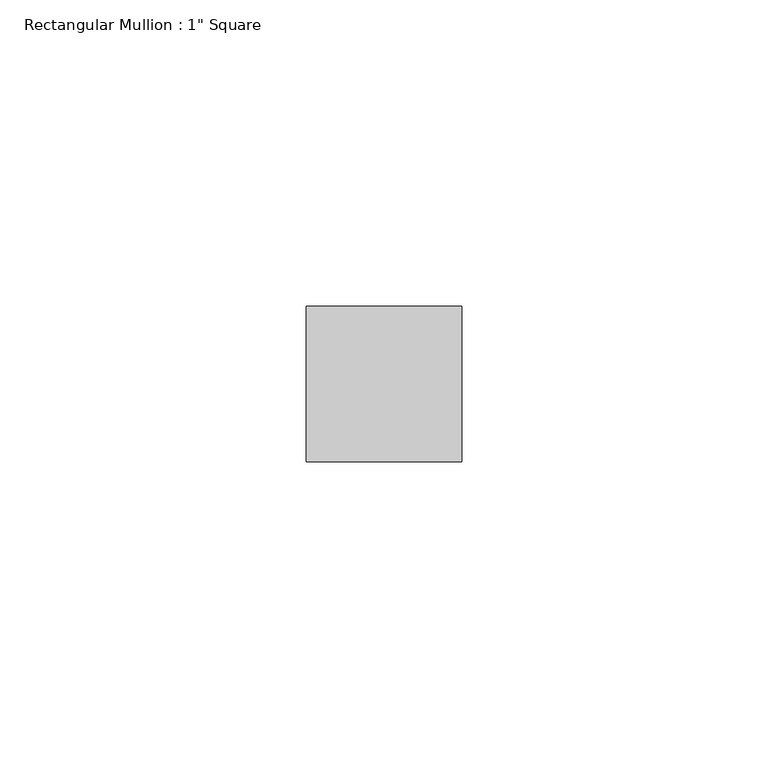
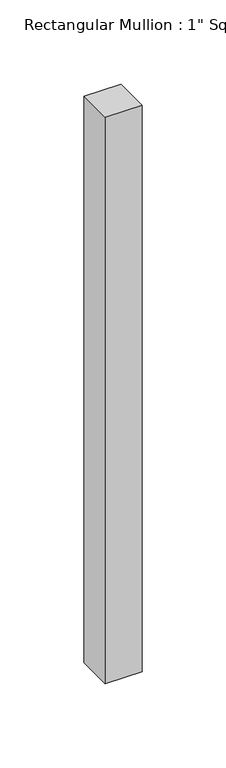
"""IFC4 building model written with IfcOpenShell, lengths in millimetres: member geometry."""

import ifcopenshell
import ifcopenshell.guid

model = None  # the IFC model being written
_history = None  # IfcOwnerHistory: only IFC2X3 demands one
_inside = {}  # id of a spatial element -> (the spatial element, [elements in it])
_under = {}  # id of a project, library or spatial element -> (it, [spatial elements below it])
_declared = {}  # id of a project -> (the project, [libraries it declares])
_typed = {}  # id of a type object -> (the type object, [elements of that type])
_made_of = {}  # id of a material, layer set ... -> (it, [elements and type objects made of it])


def new_model(schema):
    """Start an empty IFC model of exactly this schema.

    Asked for "IFC4X3", IfcOpenShell would pick the latest addendum, in which some entities
    have other attributes; the version numbers below select the first issue.
    IFC2X3 requires an IfcOwnerHistory on every rooted entity: one is made here for all.
    """
    global model, _history
    if schema == "IFC4X3":
        model = ifcopenshell.file(schema_version=(4, 3, 0, 0))
    else:
        model = ifcopenshell.file(schema=schema)
    _inside.clear()
    _under.clear()
    _declared.clear()
    _typed.clear()
    _made_of.clear()
    _history = None
    if model.schema == "IFC2X3":
        org = make("IfcOrganization", Name="unknown")
        user = make(
            "IfcPersonAndOrganization",
            ThePerson=make("IfcPerson", FamilyName="unknown"),
            TheOrganization=org,
        )
        app = make(
            "IfcApplication",
            ApplicationDeveloper=org,
            Version="unknown",
            ApplicationFullName="unknown",
            ApplicationIdentifier="unknown",
        )
        _history = make(
            "IfcOwnerHistory",
            OwningUser=user,
            OwningApplication=app,
            ChangeAction="ADDED",
            CreationDate=0,
        )
    return model


def make(cls, **values):
    """One entity of the class cls with the attributes given. An attribute that is None is left unset."""
    return model.create_entity(
        cls, **{name: value for name, value in values.items() if value is not None}
    )


def rooted(cls, **values):
    """An entity with a GlobalId (a new one), such as an element, a storey or a relation."""
    return make(cls, GlobalId=ifcopenshell.guid.new(), OwnerHistory=_history, **values)


def si_unit(unit_type, name, prefix=None):
    """IfcSIUnit, for example si_unit("LENGTHUNIT", "METRE", prefix="MILLI")."""
    return make("IfcSIUnit", UnitType=unit_type, Prefix=prefix, Name=name)


def assignment(units):
    """IfcUnitAssignment: the units of a project."""
    return None if units is None else make("IfcUnitAssignment", Units=units)


def point(xyz):
    """IfcCartesianPoint."""
    return None if xyz is None else make("IfcCartesianPoint", Coordinates=xyz)


def direction(xyz):
    """IfcDirection."""
    return None if xyz is None else make("IfcDirection", DirectionRatios=xyz)


def frame(location, z_axis=None, x_axis=None):
    """IfcAxis2Placement3D, a coordinate frame: its origin and axes. An axis left out is left unset."""
    return make(
        "IfcAxis2Placement3D",
        Location=point(location),
        Axis=direction(z_axis),
        RefDirection=direction(x_axis),
    )


def origin():
    """The frame at (0, 0, 0) with its axes left unset."""
    return frame((0.0, 0.0, 0.0))


def place(relative_to, where):
    """IfcLocalPlacement: puts the frame where relative to a parent placement (None: the world)."""
    return make(
        "IfcLocalPlacement", PlacementRelTo=relative_to, RelativePlacement=where
    )


def context(
    kind, dimensions, precision=None, world=None, true_north=None, identifier=None
):
    """IfcGeometricRepresentationContext, for example the 3D "Model" context."""
    return make(
        "IfcGeometricRepresentationContext",
        ContextIdentifier=identifier,
        ContextType=kind,
        CoordinateSpaceDimension=dimensions,
        Precision=precision,
        WorldCoordinateSystem=world,
        TrueNorth=true_north,
    )


def project(units=None, contexts=None):
    """IfcProject with its units and contexts."""
    return rooted(
        "IfcProject",
        Name="project",
        RepresentationContexts=contexts,
        UnitsInContext=assignment(units),
    )


def spatial(cls, under=None, at=None, **own):
    """A site, building, storey or space (cls), placed at a placement, below another one or the project."""
    s = rooted(cls, ObjectPlacement=at, **own)
    if under is not None:
        _under.setdefault(under.id(), (under, []))[1].append(s)
    return s


def polyline(points):
    """IfcPolyline through the points."""
    return make("IfcPolyline", Points=[point(p) for p in points])


def outline(outer, holes=None, kind="AREA"):
    """IfcArbitraryClosedProfileDef: a profile drawn as a closed curve; with holes, ...WithVoids."""
    if holes is None:
        return make("IfcArbitraryClosedProfileDef", ProfileType=kind, OuterCurve=outer)
    return make(
        "IfcArbitraryProfileDefWithVoids",
        ProfileType=kind,
        OuterCurve=outer,
        InnerCurves=holes,
    )


def extrude(swept, where, along, depth):
    """IfcExtrudedAreaSolid: the profile swept, set in the frame where, extruded along a direction by depth."""
    return make(
        "IfcExtrudedAreaSolid",
        SweptArea=swept,
        Position=where,
        ExtrudedDirection=direction(along),
        Depth=depth,
    )


def shape(context_of_items, identifier, shape_type, items):
    """IfcShapeRepresentation: the items that make up one representation, for example the "Body"."""
    return make(
        "IfcShapeRepresentation",
        ContextOfItems=context_of_items,
        RepresentationIdentifier=identifier,
        RepresentationType=shape_type,
        Items=items,
    )


def source(mapping_origin, context_of_items, identifier, shape_type, items):
    """IfcRepresentationMap: a shape defined once, which mapped items show again and again."""
    return make(
        "IfcRepresentationMap",
        MappingOrigin=mapping_origin,
        MappedRepresentation=shape(context_of_items, identifier, shape_type, items),
    )


def transform(
    local_origin,
    x_axis=None,
    y_axis=None,
    z_axis=None,
    scale=None,
    scale2=None,
    scale3=None,
    uniform=True,
):
    """IfcCartesianTransformationOperator3D, or its non-uniform kind. x_axis, y_axis, z_axis: its Axis1, 2, 3."""
    if uniform:
        return make(
            "IfcCartesianTransformationOperator3D",
            Axis1=direction(x_axis),
            Axis2=direction(y_axis),
            LocalOrigin=point(local_origin),
            Scale=scale,
            Axis3=direction(z_axis),
        )
    return make(
        "IfcCartesianTransformationOperator3DnonUniform",
        Axis1=direction(x_axis),
        Axis2=direction(y_axis),
        LocalOrigin=point(local_origin),
        Scale=scale,
        Axis3=direction(z_axis),
        Scale2=scale2,
        Scale3=scale3,
    )


def mapped(mapping_source, mapping_target):
    """IfcMappedItem: shows the shape of a source again, moved by a transform."""
    return make(
        "IfcMappedItem", MappingSource=mapping_source, MappingTarget=mapping_target
    )


def made_of(thing, what):
    """Note that an element or type object is made of a material, layer set ...; save() writes the relation."""
    if what is not None:
        _made_of.setdefault(what.id(), (what, []))[1].append(thing)
    return thing


def element(
    cls,
    number,
    at=None,
    inside=None,
    cuts=None,
    type_object=None,
    material=None,
    context=None,
    identifier="Body",
    shape_type=None,
    held_by="IfcProductDefinitionShape",
    body=None,
    shapes=None,
    **own,
):
    """One element of the class cls, such as IfcWall. Its Tag is "e" and its number.

    at: its placement. inside: the storey or other place that contains it. cuts: it is an
    opening in that element (IfcRelVoidsElement). A single representation is given by context,
    identifier, shape_type and body (its items); several are given by shapes. held_by: the class
    of the entity that holds the representations. save() writes the other relations.
    """
    e = rooted(cls, Tag="e%d" % number, ObjectPlacement=at, **own)
    if body is not None:
        shapes = [shape(context, identifier, shape_type, body)]
    if shapes is not None:
        e.Representation = make(held_by, Representations=shapes)
    if inside is not None:
        _inside.setdefault(inside.id(), (inside, []))[1].append(e)
    if cuts is not None:
        rooted(
            "IfcRelVoidsElement", RelatingBuildingElement=cuts, RelatedOpeningElement=e
        )
    if type_object is not None:
        _typed.setdefault(type_object.id(), (type_object, []))[1].append(e)
    return made_of(e, material)


def aggregate(whole, parts):
    """IfcRelAggregates: a whole, such as a stair, and the parts it consists of."""
    return rooted("IfcRelAggregates", RelatingObject=whole, RelatedObjects=parts)


def save(model, path):
    """Write the relations noted so far, then the file.

    IfcRelAggregates (storeys below a building ...), IfcRelContainedInSpatialStructure (elements
    in a storey), IfcRelDefinesByType, IfcRelAssociatesMaterial and IfcRelDeclares: one each for
    every whole, place, type object, material and project.
    """
    for whole, parts in _under.values():
        aggregate(whole, parts)
    for where, things in _inside.values():
        rooted(
            "IfcRelContainedInSpatialStructure",
            RelatedElements=things,
            RelatingStructure=where,
        )
    for kind, things in _typed.values():
        rooted("IfcRelDefinesByType", RelatedObjects=things, RelatingType=kind)
    for what, things in _made_of.values():
        rooted("IfcRelAssociatesMaterial", RelatedObjects=things, RelatingMaterial=what)
    for by, libraries in _declared.values():
        rooted("IfcRelDeclares", RelatingContext=by, RelatedDefinitions=libraries)
    model.write(path)


def member_9fdc781f(model_context):
    return source(origin(), model_context, "Body", "SweptSolid", [
        extrude(outline(polyline([(12.7, 12.7), (12.7, -12.7), (-12.7, -12.7), (-12.7, 12.7), (12.7, 12.7)])), frame((0.0, 0.0, -411.4022832), z_axis=(0.0, 0.0, 1.0), x_axis=(1.0, 0.0, 0.0)), (0.0, 0.0, 1.0), 411.4022832),
    ])


if __name__ == "__main__":
    model = new_model("IFC4")
    model_context = context("Model", 3, world=origin())
    ifc_project = project(units=[si_unit("LENGTHUNIT", "METRE", prefix="MILLI")], contexts=[model_context])
    site = spatial("IfcSite", under=ifc_project)
    building = spatial("IfcBuilding", under=site)
    placement = place(None, origin())
    member_shape = member_9fdc781f(model_context)
    element("IfcMember", 1, ObjectType="Rectangular Mullion : 1\" Square", at=placement, inside=building, context=model_context, shape_type="MappedRepresentation", body=[
        mapped(member_shape, transform((0.0, 0.0, 0.0), x_axis=(1.0, 0.0, 0.0), y_axis=(0.0, 1.0, 0.0), z_axis=(0.0, 0.0, 1.0))),
    ])
    save(model, "model.ifc")
